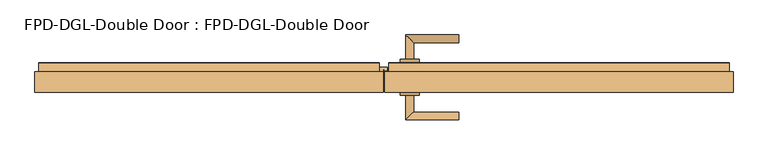
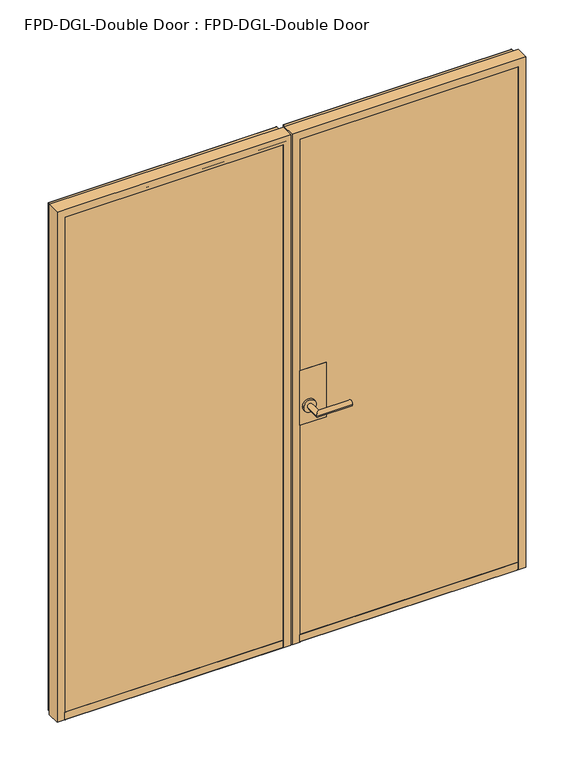
"""IFC4 building model written with IfcOpenShell, lengths in millimetres: door geometry, FPD-DGL-Double Door : FPD-DGL-Double Door."""

from ifc_helpers import new_model, si_unit, point, frame, frame_2d, origin, place, context, project, spatial, polyline, circle_curve, ellipse_curve, trimmed, segment, composite_curve, outline, extrude, source, transform, mapped, element, save
from ifc_brep_helpers import plane_surface, cylinder_surface, revolved_surface, advanced_brep


def fpd_dgl_double_door_fpd_dgl_double_door_5a96a439(model_context):
    return source(origin(), model_context, "Body", "SolidModel", [
        advanced_brep(
        [(192.734021, -62.2685263, 965.2), (192.734021, -82.3404699, 965.2), (75.8843806, -62.2685263, 965.2), (55.812437, -82.3404699, 965.2), (75.8843806, -19.6342776, 965.2), (55.812437, -19.6342776, 965.2)],
        [
            (0, 1, circle_curve(frame((192.734021, -72.3044981, 965.2), z_axis=(1.0, 0.0, 0.0), x_axis=(0.0, -1.0, 0.0)), 10.0359718)),
            (1, 0, circle_curve(frame((192.734021, -72.3044981, 965.2), z_axis=(1.0, 0.0, 0.0), x_axis=(0.0, -1.0, 0.0)), 10.0359718)),
            (0, 2),
            (2, 3, ellipse_curve(frame((65.8484088, -72.3044981, 965.2), z_axis=(0.7071067811865439, -0.7071067811865513, 0.0), x_axis=(0.707106781186551, 0.707106781186544, 0.0)), 14.1930074, 10.0359718)),
            (3, 1),
            (3, 2, ellipse_curve(frame((65.8484088, -72.3044981, 965.2), z_axis=(0.7071067811865439, -0.7071067811865513, 0.0), x_axis=(0.707106781186551, 0.707106781186544, 0.0)), 14.1930074, 10.0359718)),
            (4, 5, circle_curve(frame((65.8484088, -19.6342776, 965.2), z_axis=(0.0, 1.0, 0.0), x_axis=(-1.0, 0.0, 0.0)), 10.0359718)),
            (5, 4, circle_curve(frame((65.8484088, -19.6342776, 965.2), z_axis=(0.0, 1.0, 0.0), x_axis=(-1.0, 0.0, 0.0)), 10.0359718)),
            (2, 4),
            (5, 3),
        ],
        [
            plane_surface(frame((192.734021, -72.3044981, 965.2), z_axis=(1.0, 0.0, 0.0), x_axis=(0.0, 0.0, 1.0))),
            cylinder_surface(frame((192.734021, -72.3044981, 965.2), z_axis=(1.0, 0.0, 0.0), x_axis=(0.0, -1.0, 0.0)), 10.0359718),
            plane_surface(frame((65.8484088, -19.6342776, 965.2), z_axis=(0.0, 1.0, 0.0), x_axis=(0.0, 0.0, 1.0))),
            cylinder_surface(frame((65.8484088, -72.3044981, 965.2), z_axis=(0.0, -1.0, 0.0), x_axis=(-1.0, 0.0, 0.0)), 10.0359718),
        ],
        [
            (0, [[1, 2]]),
            (1, [[-1, 3, 4, 5]]),
            (1, [[-2, -5, 6, -3]]),
            (2, [[7, 8]]),
            (3, [[-4, 9, -8, 10]]),
            (3, [[-6, -10, -7, -9]]),
        ],
    ),
        advanced_brep(
        [(75.8843806, 73.2298077, 965.2), (55.812437, 73.2298077, 965.2), (75.8843806, 115.8640565, 965.2), (55.812437, 135.936, 965.2), (192.734021, 115.8640565, 965.2), (192.734021, 135.936, 965.2)],
        [
            (0, 1, circle_curve(frame((65.8484088, 73.2298077, 965.2), z_axis=(0.0, -1.0, 0.0), x_axis=(-1.0, 0.0, 0.0)), 10.0359718)),
            (1, 0, circle_curve(frame((65.8484088, 73.2298077, 965.2), z_axis=(0.0, -1.0, 0.0), x_axis=(-1.0, 0.0, 0.0)), 10.0359718)),
            (0, 2),
            (2, 3, ellipse_curve(frame((65.8484088, 125.9000282, 965.2), z_axis=(-0.7071067811865512, -0.7071067811865438, 0.0), x_axis=(0.7071067811865438, -0.7071067811865512, 0.0)), 14.1930074, 10.0359718)),
            (3, 1),
            (3, 2, ellipse_curve(frame((65.8484088, 125.9000282, 965.2), z_axis=(-0.7071067811865512, -0.7071067811865438, 0.0), x_axis=(0.7071067811865438, -0.7071067811865512, 0.0)), 14.1930074, 10.0359718)),
            (4, 5, circle_curve(frame((192.734021, 125.9000282, 965.2), z_axis=(1.0, 0.0, 0.0), x_axis=(0.0, 1.0, 0.0)), 10.0359718)),
            (5, 4, circle_curve(frame((192.734021, 125.9000282, 965.2), z_axis=(1.0, 0.0, 0.0), x_axis=(0.0, 1.0, 0.0)), 10.0359718)),
            (2, 4),
            (5, 3),
        ],
        [
            plane_surface(frame((65.8484088, 73.2298077, 965.2), z_axis=(0.0, -1.0, 0.0), x_axis=(0.0, 0.0, 1.0))),
            cylinder_surface(frame((65.8484088, 73.2298077, 965.2), z_axis=(0.0, -1.0, 0.0), x_axis=(-1.0, 0.0, 0.0)), 10.0359718),
            plane_surface(frame((192.734021, 125.9000282, 965.2), z_axis=(1.0, 0.0, 0.0), x_axis=(0.0, 0.0, 1.0))),
            cylinder_surface(frame((65.8484088, 125.9000282, 965.2), z_axis=(-1.0, 0.0, 0.0), x_axis=(0.0, 1.0, 0.0)), 10.0359718),
        ],
        [
            (0, [[1, 2]]),
            (1, [[-1, 3, 4, 5]]),
            (1, [[-2, -5, 6, -3]]),
            (2, [[7, 8]]),
            (3, [[-4, 9, -8, 10]]),
            (3, [[-6, -10, -7, -9]]),
        ],
    ),
        extrude(outline(composite_curve([segment(trimmed(circle_curve(frame_2d((965.2, 65.8484088)), 24.60625), [point((965.2, 90.4546588))], [point((965.2, 41.2421588))], False, "CARTESIAN"), True, "CONTINUOUS"), segment(trimmed(circle_curve(frame_2d((965.2, 65.8484088)), 24.60625), [point((965.2, 41.2421588))], [point((965.2, 90.4546588))], False, "CARTESIAN"), True, "CONTINUOUS")], self_intersect=False)), frame((0.0, 64.8999971, 0.0), z_axis=(0.0, 1.0, 0.0), x_axis=(0.0, 0.0, 1.0)), (0.0, 0.0, 1.0), 8.3298107),
        extrude(outline(composite_curve([segment(trimmed(circle_curve(frame_2d((965.2, 65.8484088)), 24.60625), [point((965.2, 90.4546588))], [point((965.2, 41.2421588))], False, "CARTESIAN"), True, "CONTINUOUS"), segment(trimmed(circle_curve(frame_2d((965.2, 65.8484088)), 24.60625), [point((965.2, 41.2421588))], [point((965.2, 90.4546588))], False, "CARTESIAN"), True, "CONTINUOUS")], self_intersect=False)), frame((0.0, -19.6342776, 0.0), z_axis=(0.0, 1.0, 0.0), x_axis=(0.0, 0.0, 1.0)), (0.0, 0.0, 1.0), 8.3342763),
        extrude(outline(polyline([(32.3483488, 64.8999971), (132.3484614, 64.8999971), (132.3484614, 63.5), (32.3483488, 63.5), (32.3483488, 64.8999971)])), frame((0.0, 0.0, 893.55), z_axis=(0.0, 0.0, 1.0), x_axis=(1.0, 0.0, 0.0)), (0.0, 0.0, 1.0), 220.0),
        extrude(outline(polyline([(32.3483488, -9.9000043), (132.3484614, -9.9000043), (132.3484614, -11.3000013), (32.3483488, -11.3000013), (32.3483488, -9.9000043)])), frame((0.0, 0.0, 893.55), z_axis=(0.0, 0.0, 1.0), x_axis=(1.0, 0.0, 0.0)), (0.0, 0.0, 1.0), 220.0),
        advanced_brep(
        [(-867.7641512, -1.3736905, 45.8749402), (-867.7641512, 54.8263591, 45.8749402), (-867.7641512, 54.8263591, 35.2749613), (-867.7641512, 63.0263424, 35.2749613), (-867.7641512, 63.5263414, 35.7749604), (-867.7641512, 63.5263417, 43.0952793), (-867.7641512, 63.426342, 44.0749436), (-867.7641512, 63.426342, 45.8749402), (-867.7641512, 64.826339, 45.8749402), (-867.7641512, 64.826339, 15.875), (-867.7641512, -10.5736626, 15.875), (-867.7641512, -11.373661, 16.6749984), (-867.7641512, -11.373661, 45.8749402), (-867.7641512, -9.9736639, 45.8749402), (-867.7641512, -9.9736639, 44.0749434), (-867.7641512, -10.0736637, 43.0952791), (-867.7641512, -10.0736637, 35.2749613), (-867.7641512, -1.3736905, 35.2749613), (-32.3483488, -1.3736905, 45.8749402), (-32.3483488, -1.3736905, 35.2749613), (-32.3483488, -10.0736637, 35.2749613), (-32.3483488, -10.0736637, 43.0952791), (-32.3483488, -9.9736639, 44.0749434), (-32.3483488, -9.9736639, 45.8749402), (-32.3483488, -11.373661, 45.8749402), (-32.3483488, -11.373661, 16.6749984), (-32.3483488, -10.5736626, 15.875), (-32.3483488, 64.826339, 15.875), (-32.3483488, 64.826339, 45.8749402), (-32.3483488, 63.426342, 45.8749402), (-32.3483488, 63.426342, 44.0749436), (-32.3483488, 63.5263417, 43.0952793), (-32.3483488, 63.5263417, 35.7749604), (-32.3483488, 63.0263424, 35.2749614), (-32.3483488, 54.8263591, 35.2749613), (-32.3483488, 54.8263591, 45.8749402)],
        [
            (0, 1),
            (1, 2),
            (2, 3),
            (3, 4, circle_curve(frame((-867.7641512, 63.0263424, 35.7749604), z_axis=(1.0, 0.0, 0.0), x_axis=(0.0, 0.0, 1.0)), 0.499999)),
            (4, 5),
            (5, 6),
            (6, 7),
            (7, 8),
            (8, 9),
            (9, 10),
            (10, 11, circle_curve(frame((-867.7641512, -10.5736626, 16.6749984), z_axis=(-1.0, 0.0, 0.0), x_axis=(0.0, 0.0, 1.0)), 0.7999984)),
            (11, 12),
            (12, 13),
            (13, 14),
            (14, 15),
            (15, 16),
            (16, 17),
            (17, 0),
            (18, 19),
            (19, 20),
            (20, 21),
            (21, 22),
            (22, 23),
            (23, 24),
            (24, 25),
            (25, 26, circle_curve(frame((-32.3483488, -10.5736626, 16.6749984), z_axis=(1.0, 0.0, 0.0), x_axis=(0.0, 0.0, 1.0)), 0.7999984)),
            (26, 27),
            (27, 28),
            (28, 29),
            (29, 30),
            (30, 31),
            (31, 32),
            (32, 33, circle_curve(frame((-32.3483488, 63.0263424, 35.7749604), z_axis=(-1.0, 0.0, 0.0), x_axis=(0.0, 0.0, 1.0)), 0.499999)),
            (33, 34),
            (34, 35),
            (35, 18),
            (17, 19),
            (18, 0),
            (16, 20),
            (15, 21),
            (14, 22),
            (13, 23),
            (12, 24),
            (11, 25),
            (10, 26),
            (9, 27),
            (8, 28),
            (7, 29),
            (6, 30),
            (5, 31),
            (4, 32),
            (3, 33),
            (2, 34),
            (1, 35),
        ],
        [
            plane_surface(frame((-867.7641512, 26.7129348, 15.875), z_axis=(-1.0, 0.0, 0.0), x_axis=(0.0, -1.0, 0.0))),
            plane_surface(frame((-32.3483488, 26.7129348, 15.875), z_axis=(1.0, 0.0, 0.0), x_axis=(0.0, -1.0, 0.0))),
            plane_surface(frame((-867.7641512, -1.3736905, 35.2749613), z_axis=(0.0, -1.0, 0.0), x_axis=(1.0, 0.0, 0.0))),
            plane_surface(frame((-867.7641512, -10.0736637, 35.2749613), z_axis=(0.0, 0.0, 1.0), x_axis=(1.0, 0.0, 0.0))),
            plane_surface(frame((-867.7641512, -10.0736637, 43.0952791), z_axis=(0.0, 1.0, 0.0), x_axis=(1.0, 0.0, 0.0))),
            plane_surface(frame((-867.7641512, -9.9736639, 44.0749434), z_axis=(0.0, 0.9948306566625577, -0.10154784372080161), x_axis=(1.0, 0.0, 0.0))),
            plane_surface(frame((-867.7641512, -9.9736639, 45.8749402), z_axis=(0.0, 1.0, 0.0), x_axis=(1.0, 0.0, 0.0))),
            plane_surface(frame((-867.7641512, -11.373661, 45.8749402), z_axis=(0.0, 0.0, 1.0), x_axis=(1.0, 0.0, 0.0))),
            plane_surface(frame((-867.7641512, -11.373661, 16.6749984), z_axis=(0.0, -1.0, 0.0), x_axis=(1.0, 0.0, 0.0))),
            cylinder_surface(frame((-867.7641512, -10.5736626, 16.6749984), z_axis=(-1.0, 0.0, 0.0), x_axis=(0.0, 0.0, 1.0)), 0.7999984),
            plane_surface(frame((-867.7641512, 64.826339, 15.875), z_axis=(0.0, 0.0, -1.0), x_axis=(1.0, 0.0, 0.0))),
            plane_surface(frame((-867.7641512, 64.826339, 45.8749402), z_axis=(0.0, 1.0, 0.0), x_axis=(1.0, 0.0, 0.0))),
            plane_surface(frame((-867.7641512, 63.426342, 45.8749402), z_axis=(0.0, 0.0, 1.0), x_axis=(1.0, 0.0, 0.0))),
            plane_surface(frame((-867.7641512, 63.426342, 44.0749436), z_axis=(0.0, -1.0, 0.0), x_axis=(1.0, 0.0, 0.0))),
            plane_surface(frame((-867.7641512, 63.5263417, 43.0952793), z_axis=(0.0, -0.9948306566600441, -0.10154784374542594), x_axis=(1.0, 0.0, 0.0))),
            plane_surface(frame((-867.7641512, 63.5263417, 35.7749604), z_axis=(0.0, -1.0, 0.0), x_axis=(1.0, 0.0, 0.0))),
            revolved_surface(polyline([(-32.34834879999994, 63.0263424, 36.2749594), (-867.7641512, 63.0263424, 36.2749594)]), (-867.7641512, 63.0263424, 35.7749604), (1.0, 0.0, 0.0)),
            plane_surface(frame((-867.7641512, 54.8263591, 35.2749613), z_axis=(0.0, 0.0, 1.0), x_axis=(1.0, 0.0, 0.0))),
            plane_surface(frame((-867.7641512, 54.8263591, 45.8749402), z_axis=(0.0, 1.0, 0.0), x_axis=(1.0, 0.0, 0.0))),
            plane_surface(frame((-867.7641512, -1.3736905, 45.8749402), z_axis=(0.0, 0.0, 1.0), x_axis=(1.0, 0.0, 0.0))),
        ],
        [
            (0, [[1, 2, 3, 4, 5, 6, 7, 8, 9, 10, 11, 12, 13, 14, 15, 16, 17, 18]]),
            (1, [[19, 20, 21, 22, 23, 24, 25, 26, 27, 28, 29, 30, 31, 32, 33, 34, 35, 36]]),
            (2, [[-18, 37, -19, 38]]),
            (3, [[-17, 39, -20, -37]]),
            (4, [[-16, 40, -21, -39]]),
            (5, [[-15, 41, -22, -40]]),
            (6, [[-14, 42, -23, -41]]),
            (7, [[-13, 43, -24, -42]]),
            (8, [[-12, 44, -25, -43]]),
            (9, [[-11, 45, -26, -44]]),
            (10, [[-10, 46, -27, -45]]),
            (11, [[-9, 47, -28, -46]]),
            (12, [[-8, 48, -29, -47]]),
            (13, [[-7, 49, -30, -48]]),
            (14, [[-6, 50, -31, -49]]),
            (15, [[-5, 51, -32, -50]]),
            (16, [[-4, 52, -33, -51]]),
            (17, [[-3, 53, -34, -52]]),
            (18, [[-2, 54, -35, -53]]),
            (19, [[-1, -38, -36, -54]]),
        ],
    ),
        advanced_brep(
        [(867.7641512, -1.3736905, 45.8749402), (867.7641512, -1.3736905, 35.2749613), (867.7641512, -10.0736637, 35.2749613), (867.7641512, -10.0736637, 43.0952791), (867.7641512, -9.9736639, 44.0749434), (867.7641512, -9.9736639, 45.8749402), (867.7641512, -11.373661, 45.8749402), (867.7641512, -11.373661, 16.6749984), (867.7641512, -10.5736626, 15.875), (867.7641512, 64.826339, 15.875), (867.7641512, 64.826339, 45.8749402), (867.7641512, 63.426342, 45.8749402), (867.7641512, 63.426342, 44.0749436), (867.7641512, 63.5263417, 43.0952793), (867.7641512, 63.5263417, 35.7749604), (867.7641512, 63.0263424, 35.2749614), (867.7641512, 54.8263591, 35.2749614), (867.7641512, 54.8263591, 45.8749402), (32.3483488, -1.3736905, 45.8749402), (32.3483488, 54.8263591, 45.8749402), (32.3483488, 54.8263591, 35.2749614), (32.3483488, 63.0263424, 35.2749614), (32.3483488, 63.5263414, 35.7749604), (32.3483488, 63.5263417, 43.0952793), (32.3483488, 63.426342, 44.0749436), (32.3483488, 63.426342, 45.8749402), (32.3483488, 64.826339, 45.8749402), (32.3483488, 64.826339, 15.875), (32.3483488, -10.5736626, 15.875), (32.3483488, -11.373661, 16.6749984), (32.3483488, -11.373661, 45.8749402), (32.3483488, -9.9736639, 45.8749402), (32.3483488, -9.9736639, 44.0749434), (32.3483488, -10.0736637, 43.0952791), (32.3483488, -10.0736637, 35.2749613), (32.3483488, -1.3736905, 35.2749613)],
        [
            (0, 1),
            (1, 2),
            (2, 3),
            (3, 4),
            (4, 5),
            (5, 6),
            (6, 7),
            (7, 8, circle_curve(frame((867.7641512, -10.5736626, 16.6749984), z_axis=(1.0, 0.0, 0.0), x_axis=(0.0, 0.0, -1.0)), 0.7999984)),
            (8, 9),
            (9, 10),
            (10, 11),
            (11, 12),
            (12, 13),
            (13, 14),
            (14, 15, circle_curve(frame((867.7641512, 63.0263424, 35.7749604), z_axis=(-1.0, 0.0, 0.0), x_axis=(0.0, 0.0, -1.0)), 0.499999)),
            (15, 16),
            (16, 17),
            (17, 0),
            (18, 19),
            (19, 20),
            (20, 21),
            (21, 22, circle_curve(frame((32.3483488, 63.0263424, 35.7749604), z_axis=(1.0, 0.0, 0.0), x_axis=(0.0, 0.0, -1.0)), 0.499999)),
            (22, 23),
            (23, 24),
            (24, 25),
            (25, 26),
            (26, 27),
            (27, 28),
            (28, 29, circle_curve(frame((32.3483488, -10.5736626, 16.6749984), z_axis=(-1.0, 0.0, 0.0), x_axis=(0.0, 0.0, -1.0)), 0.7999984)),
            (29, 30),
            (30, 31),
            (31, 32),
            (32, 33),
            (33, 34),
            (34, 35),
            (35, 18),
            (0, 18),
            (35, 1),
            (34, 2),
            (33, 3),
            (32, 4),
            (31, 5),
            (30, 6),
            (29, 7),
            (28, 8),
            (27, 9),
            (26, 10),
            (25, 11),
            (24, 12),
            (23, 13),
            (22, 14),
            (21, 15),
            (20, 16),
            (19, 17),
        ],
        [
            plane_surface(frame((867.7641512, 26.7129348, 15.875), z_axis=(1.0, 0.0, 0.0), x_axis=(0.0, -1.0, 0.0))),
            plane_surface(frame((32.3483488, 26.7129348, 15.875), z_axis=(-1.0, 0.0, 0.0), x_axis=(0.0, -1.0, 0.0))),
            plane_surface(frame((867.7641512, -1.3736905, 45.8749402), z_axis=(0.0, -1.0, 0.0), x_axis=(-1.0, 0.0, 0.0))),
            plane_surface(frame((867.7641512, -1.3736905, 35.2749613), z_axis=(0.0, 0.0, 1.0), x_axis=(-1.0, 0.0, 0.0))),
            plane_surface(frame((867.7641512, -10.0736637, 35.2749613), z_axis=(0.0, 1.0, 0.0), x_axis=(-1.0, 0.0, 0.0))),
            plane_surface(frame((867.7641512, -10.0736637, 43.0952791), z_axis=(0.0, 0.9948306566625577, -0.10154784372080161), x_axis=(-1.0, 0.0, 0.0))),
            plane_surface(frame((867.7641512, -9.9736639, 44.0749434), z_axis=(0.0, 1.0, 0.0), x_axis=(-1.0, 0.0, 0.0))),
            plane_surface(frame((867.7641512, -9.9736639, 45.8749402), z_axis=(0.0, 0.0, 1.0), x_axis=(-1.0, 0.0, 0.0))),
            plane_surface(frame((867.7641512, -11.373661, 45.8749402), z_axis=(0.0, -1.0, 0.0), x_axis=(-1.0, 0.0, 0.0))),
            cylinder_surface(frame((867.7641512, -10.5736626, 16.6749984), z_axis=(1.0, 0.0, 0.0), x_axis=(0.0, 0.0, -1.0)), 0.7999984),
            plane_surface(frame((867.7641512, -10.5736626, 15.875), z_axis=(0.0, 0.0, -1.0), x_axis=(-1.0, 0.0, 0.0))),
            plane_surface(frame((867.7641512, 64.826339, 15.875), z_axis=(0.0, 1.0, 0.0), x_axis=(-1.0, 0.0, 0.0))),
            plane_surface(frame((867.7641512, 64.826339, 45.8749402), z_axis=(0.0, 0.0, 1.0), x_axis=(-1.0, 0.0, 0.0))),
            plane_surface(frame((867.7641512, 63.426342, 45.8749402), z_axis=(0.0, -1.0, 0.0), x_axis=(-1.0, 0.0, 0.0))),
            plane_surface(frame((867.7641512, 63.426342, 44.0749436), z_axis=(0.0, -0.9948306566600441, -0.10154784374542594), x_axis=(-1.0, 0.0, 0.0))),
            plane_surface(frame((867.7641512, 63.5263417, 43.0952793), z_axis=(0.0, -1.0, 0.0), x_axis=(-1.0, 0.0, 0.0))),
            revolved_surface(polyline([(32.34834879999994, 63.0263424, 35.274961399999995), (867.7641512, 63.0263424, 35.274961399999995)]), (867.7641512, 63.0263424, 35.7749604), (-1.0, 0.0, 0.0)),
            plane_surface(frame((867.7641512, 63.0263424, 35.2749614), z_axis=(0.0, 0.0, 1.0), x_axis=(-1.0, 0.0, 0.0))),
            plane_surface(frame((867.7641512, 54.8263591, 35.2749614), z_axis=(0.0, 1.0, 0.0), x_axis=(-1.0, 0.0, 0.0))),
            plane_surface(frame((867.7641512, 54.8263591, 45.8749402), z_axis=(0.0, 0.0, 1.0), x_axis=(-1.0, 0.0, 0.0))),
        ],
        [
            (0, [[1, 2, 3, 4, 5, 6, 7, 8, 9, 10, 11, 12, 13, 14, 15, 16, 17, 18]]),
            (1, [[19, 20, 21, 22, 23, 24, 25, 26, 27, 28, 29, 30, 31, 32, 33, 34, 35, 36]]),
            (2, [[-1, 37, -36, 38]]),
            (3, [[-2, -38, -35, 39]]),
            (4, [[-3, -39, -34, 40]]),
            (5, [[-4, -40, -33, 41]]),
            (6, [[-5, -41, -32, 42]]),
            (7, [[-6, -42, -31, 43]]),
            (8, [[-7, -43, -30, 44]]),
            (9, [[-8, -44, -29, 45]]),
            (10, [[-9, -45, -28, 46]]),
            (11, [[-10, -46, -27, 47]]),
            (12, [[-11, -47, -26, 48]]),
            (13, [[-12, -48, -25, 49]]),
            (14, [[-13, -49, -24, 50]]),
            (15, [[-14, -50, -23, 51]]),
            (16, [[-15, -51, -22, 52]]),
            (17, [[-16, -52, -21, 53]]),
            (18, [[-17, -53, -20, 54]]),
            (19, [[-18, -54, -19, -37]]),
        ],
    ),
        advanced_brep(
        [(7.9983324, 52.1815209, 15.875), (8.7603324, 51.4195209, 15.875), (8.7603324, 44.1610234, 15.875), (7.9983324, 43.3990234, 15.875), (0.8050534, 43.3990234, 15.875), (0.7102575, 44.9225301, 15.875), (0.7102575, 46.4604631, 15.875), (-0.9351433, 48.1018613, 15.875), (-2.2894754, 47.5399122, 15.875), (-2.2894754, 41.270615, 15.875), (-2.7974754, 40.762615, 15.875), (-3.9845702, 40.762615, 15.875), (-5.1141987, 41.8922434, 15.875), (-8.5458669, 41.8922434, 15.875), (-9.4254048, 41.0127055, 15.875), (-10.9227348, 41.0127055, 15.875), (-12.4200648, 42.5100355, 15.875), (-12.4200648, 43.577043, 15.875), (-11.5566189, 44.3015601, 15.875), (-11.5566189, 49.3728897, 15.875), (-12.6738477, 50.4901184, 15.875), (-12.6738477, 51.6735209, 15.875), (-12.1621554, 52.1815209, 15.875), (7.9983324, 52.1815209, 2062.6353224), (8.7603324, 51.4195209, 2062.6353224), (8.7603324, 44.1610234, 2062.6353224), (7.9983324, 43.3990234, 2062.6353224), (0.8050534, 43.3990234, 2062.6353224), (0.7102575, 44.9225301, 2062.6353224), (0.7102575, 46.4604631, 2062.6353224), (-0.9351433, 48.1018613, 2062.6353224), (-2.2894754, 47.5399122, 2062.6353224), (-2.2894754, 41.270615, 2062.6353224), (-2.7974754, 40.762615, 2062.6353224), (-3.9845702, 40.762615, 2062.6353224), (-5.1141987, 41.8922434, 2062.6353224), (-8.5458669, 41.8922434, 2062.6353224), (-9.4254048, 41.0127055, 2062.6353224), (-10.9227348, 41.0127055, 2062.6353224), (-12.4200648, 42.5100355, 2062.6353224), (-12.4200648, 43.577043, 2062.6353224), (-11.5566189, 44.3015601, 2062.6353224), (-11.5566189, 49.3728897, 2062.6353224), (-12.6738477, 50.4901184, 2062.6353224), (-12.6738477, 51.6735209, 2062.6353224), (-12.1621554, 52.1815209, 2062.6353224)],
        [
            (0, 1, circle_curve(frame((7.9983324, 51.4195209, 15.875), z_axis=(0.0, 0.0, -1.0), x_axis=(-1.0, 0.0, 0.0)), 0.762)),
            (1, 2),
            (2, 3, circle_curve(frame((7.9983324, 44.1610234, 15.875), z_axis=(0.0, 0.0, -1.0), x_axis=(-1.0, 0.0, 0.0)), 0.762)),
            (3, 4),
            (4, 5, circle_curve(frame((1.1376641, 44.1844217, 15.875), z_axis=(0.0, 0.0, -1.0), x_axis=(-1.0, 0.0, 0.0)), 0.8529246)),
            (5, 6),
            (6, 7),
            (7, 8, circle_curve(frame((-1.4957254, 47.5399122, 15.875), z_axis=(0.0, 0.0, 1.0), x_axis=(-1.0, 0.0, 0.0)), 0.79375)),
            (8, 9),
            (9, 10, circle_curve(frame((-2.7974754, 41.270615, 15.875), z_axis=(0.0, 0.0, -1.0), x_axis=(-1.0, 0.0, 0.0)), 0.508)),
            (10, 11),
            (11, 12),
            (12, 13),
            (13, 14),
            (14, 15),
            (15, 16),
            (16, 17),
            (17, 18),
            (18, 19),
            (19, 20),
            (20, 21),
            (21, 22, circle_curve(frame((-12.1621554, 51.6735209, 15.875), z_axis=(0.0, 0.0, -1.0), x_axis=(-1.0, 0.0, 0.0)), 0.508)),
            (22, 0),
            (0, 23),
            (23, 24, circle_curve(frame((7.9983324, 51.4195209, 2062.6353224), z_axis=(0.0, 0.0, -1.0), x_axis=(-1.0, 0.0, 0.0)), 0.762)),
            (24, 1),
            (24, 25),
            (25, 2),
            (25, 26, circle_curve(frame((7.9983324, 44.1610234, 2062.6353224), z_axis=(0.0, 0.0, -1.0), x_axis=(-1.0, 0.0, 0.0)), 0.762)),
            (26, 3),
            (26, 27),
            (27, 4),
            (27, 28, circle_curve(frame((1.1376641, 44.1844217, 2062.6353224), z_axis=(0.0, 0.0, -1.0), x_axis=(-1.0, 0.0, 0.0)), 0.8529246)),
            (28, 5),
            (28, 29),
            (29, 6),
            (29, 30),
            (30, 7),
            (30, 31, circle_curve(frame((-1.4957254, 47.5399122, 2062.6353224), z_axis=(0.0, 0.0, 1.0), x_axis=(-1.0, 0.0, 0.0)), 0.79375)),
            (31, 8),
            (31, 32),
            (32, 9),
            (32, 33, circle_curve(frame((-2.7974754, 41.270615, 2062.6353224), z_axis=(0.0, 0.0, -1.0), x_axis=(-1.0, 0.0, 0.0)), 0.508)),
            (33, 10),
            (33, 34),
            (34, 11),
            (34, 35),
            (35, 12),
            (35, 36),
            (36, 13),
            (36, 37),
            (37, 14),
            (37, 38),
            (38, 15),
            (38, 39),
            (39, 16),
            (39, 40),
            (40, 17),
            (40, 41),
            (41, 18),
            (41, 42),
            (42, 19),
            (42, 43),
            (43, 20),
            (43, 44),
            (44, 21),
            (44, 45, circle_curve(frame((-12.1621554, 51.6735209, 2062.6353224), z_axis=(0.0, 0.0, -1.0), x_axis=(-1.0, 0.0, 0.0)), 0.508)),
            (45, 22),
            (45, 23),
        ],
        [
            plane_surface(frame((0.0, 26.7129348, 15.875), z_axis=(0.0, 0.0, -1.0), x_axis=(0.0, -1.0, 0.0))),
            cylinder_surface(frame((7.9983324, 51.4195209, 15.875), z_axis=(0.0, 0.0, -1.0), x_axis=(-1.0, 0.0, 0.0)), 0.762),
            plane_surface(frame((8.7603324, 51.4195209, 15.875), z_axis=(1.0, 0.0, 0.0), x_axis=(0.0, 0.0, 1.0))),
            cylinder_surface(frame((7.9983324, 44.1610234, 15.875), z_axis=(0.0, 0.0, -1.0), x_axis=(-1.0, 0.0, 0.0)), 0.762),
            plane_surface(frame((7.9983324, 43.3990234, 15.875), z_axis=(0.0, -1.0, 0.0), x_axis=(0.0, 0.0, 1.0))),
            cylinder_surface(frame((1.1376641, 44.1844217, 15.875), z_axis=(0.0, 0.0, -1.0), x_axis=(-1.0, 0.0, 0.0)), 0.8529246),
            plane_surface(frame((0.7102575, 44.9225301, 15.875), z_axis=(-1.0, 0.0, 0.0), x_axis=(0.0, 0.0, 1.0))),
            plane_surface(frame((0.7102575, 46.4604631, 15.875), z_axis=(-0.7062451654574204, -0.7079673483064179, 0.0), x_axis=(0.0, 0.0, 1.0))),
            revolved_surface(polyline([(-2.2894753999999997, 47.5399122, 2062.6353224), (-2.2894753999999997, 47.5399122, 15.875)]), (-1.4957254, 47.5399122, 15.875), (0.0, 0.0, 1.0)),
            plane_surface(frame((-2.2894754, 47.5399122, 15.875), z_axis=(1.0, 0.0, 0.0), x_axis=(0.0, 0.0, 1.0))),
            cylinder_surface(frame((-2.7974754, 41.270615, 15.875), z_axis=(0.0, 0.0, -1.0), x_axis=(-1.0, 0.0, 0.0)), 0.508),
            plane_surface(frame((-2.7974754, 40.762615, 15.875), z_axis=(0.0, -1.0, 0.0), x_axis=(0.0, 0.0, 1.0))),
            plane_surface(frame((-3.9845702, 40.762615, 15.875), z_axis=(-0.7071067811859088, -0.7071067811871863, 0.0), x_axis=(0.0, 0.0, 1.0))),
            plane_surface(frame((-5.1141987, 41.8922434, 15.875), z_axis=(0.0, -1.0, 0.0), x_axis=(0.0, 0.0, 1.0))),
            plane_surface(frame((-8.5458669, 41.8922434, 15.875), z_axis=(0.7071067811869309, -0.7071067811861641, 0.0), x_axis=(0.0, 0.0, 1.0))),
            plane_surface(frame((-9.4254048, 41.0127055, 15.875), z_axis=(0.0, -1.0, 0.0), x_axis=(0.0, 0.0, 1.0))),
            plane_surface(frame((-10.9227348, 41.0127055, 15.875), z_axis=(-0.7071067811860376, -0.7071067811870574, 0.0), x_axis=(0.0, 0.0, 1.0))),
            plane_surface(frame((-12.4200648, 42.5100355, 15.875), z_axis=(-1.0, 0.0, 0.0), x_axis=(0.0, 0.0, 1.0))),
            plane_surface(frame((-12.4200648, 43.577043, 15.875), z_axis=(-0.6427876096865369, 0.7660444431189801, 0.0), x_axis=(0.0, 0.0, 1.0))),
            plane_surface(frame((-11.5566189, 44.3015601, 15.875), z_axis=(-1.0, 0.0, 0.0), x_axis=(0.0, 0.0, 1.0))),
            plane_surface(frame((-11.5566189, 49.3728897, 15.875), z_axis=(-0.7071067811871861, -0.7071067811859091, 0.0), x_axis=(0.0, 0.0, 1.0))),
            plane_surface(frame((-12.6738477, 50.4901184, 15.875), z_axis=(-1.0, 0.0, 0.0), x_axis=(0.0, 0.0, 1.0))),
            cylinder_surface(frame((-12.1621554, 51.6735209, 15.875), z_axis=(0.0, 0.0, -1.0), x_axis=(-1.0, 0.0, 0.0)), 0.508),
            plane_surface(frame((-12.1621554, 52.1815209, 15.875), z_axis=(0.0, 1.0, 0.0), x_axis=(0.0, 0.0, 1.0))),
            plane_surface(frame((0.0, 26.7129348, 2062.6353224), z_axis=(0.0, 0.0, 1.0), x_axis=(0.0, -1.0, 0.0))),
        ],
        [
            (0, [[1, 2, 3, 4, 5, 6, 7, 8, 9, 10, 11, 12, 13, 14, 15, 16, 17, 18, 19, 20, 21, 22, 23]]),
            (1, [[-1, 24, 25, 26]]),
            (2, [[-2, -26, 27, 28]]),
            (3, [[-3, -28, 29, 30]]),
            (4, [[-4, -30, 31, 32]]),
            (5, [[-5, -32, 33, 34]]),
            (6, [[-6, -34, 35, 36]]),
            (7, [[-7, -36, 37, 38]]),
            (8, [[-8, -38, 39, 40]]),
            (9, [[-9, -40, 41, 42]]),
            (10, [[-10, -42, 43, 44]]),
            (11, [[-11, -44, 45, 46]]),
            (12, [[-12, -46, 47, 48]]),
            (13, [[-13, -48, 49, 50]]),
            (14, [[-14, -50, 51, 52]]),
            (15, [[-15, -52, 53, 54]]),
            (16, [[-16, -54, 55, 56]]),
            (17, [[-17, -56, 57, 58]]),
            (18, [[-18, -58, 59, 60]]),
            (19, [[-19, -60, 61, 62]]),
            (20, [[-20, -62, 63, 64]]),
            (21, [[-21, -64, 65, 66]]),
            (22, [[-22, -66, 67, 68]]),
            (23, [[-23, -68, 69, -24]]),
            (24, [[-69, -67, -65, -63, -61, -59, -57, -55, -53, -51, -49, -47, -45, -43, -41, -39, -37, -35, -33, -31, -29, -27, -25]]),
        ],
    ),
        advanced_brep(
        [(2.3591854, -11.373661, 15.875), (2.3591854, 40.6497043, 15.875), (12.6738477, 40.6497043, 15.875), (12.6738477, 63.9992554, 15.875), (13.4735587, 64.7989664, 15.875), (32.3483488, 64.7989664, 15.875), (32.3483488, 63.4994361, 15.875), (21.7521777, 63.4994361, 15.875), (21.7521777, 54.8025787, 15.875), (32.3483488, 54.8025787, 15.875), (32.3483488, -1.3772734, 15.875), (21.7521776, -1.3772734, 15.875), (21.7521776, -10.0741304, 15.875), (32.3483488, -10.0741304, 15.875), (32.3483488, -11.373661, 15.875), (2.3591854, -11.373661, 2082.0283146), (2.3591854, 40.6497043, 2082.0283146), (897.7533146, 40.6497043, 2082.0283146), (897.7533146, 40.6497043, 15.875), (887.4386523, 40.6497043, 15.875), (887.4386523, 40.6497043, 2071.7136523), (12.6738477, 40.6497043, 2071.7136523), (12.6738477, 63.9992554, 2071.7136523), (13.4735587, 64.7989664, 2070.9139413), (886.6389413, 64.7989664, 2070.9139413), (886.6389413, 64.7989664, 15.875), (867.7641512, 64.7989664, 15.875), (867.7641512, 64.7989664, 2052.0391512), (32.3483488, 64.7989664, 2052.0391512), (32.3483488, 63.4994361, 2052.0391512), (867.7641512, 63.4994361, 2052.0391512), (867.7641512, 63.4994361, 15.875), (878.3603223, 63.4994361, 15.875), (878.3603223, 63.4994361, 2062.6353223), (21.7521777, 63.4994361, 2062.6353223), (21.7521777, 54.8025787, 2062.6353223), (878.3603223, 54.8025787, 2062.6353223), (878.3603223, 54.8025787, 15.875), (867.7641512, 54.8025787, 15.875), (867.7641512, 54.8025787, 2052.0391512), (32.3483488, 54.8025787, 2052.0391512), (32.3483488, -1.3772734, 2052.0391512), (867.7641512, -1.3772734, 2052.0391512), (867.7641512, -1.3772734, 15.875), (878.3603224, -1.3772734, 15.875), (878.3603224, -1.3772734, 2062.6353224), (21.7521776, -1.3772734, 2062.6353224), (21.7521776, -10.0741304, 2062.6353224), (878.3603224, -10.0741304, 2062.6353224), (878.3603224, -10.0741304, 15.875), (867.7641512, -10.0741304, 15.875), (867.7641512, -10.0741304, 2052.0391512), (32.3483488, -10.0741304, 2052.0391512), (32.3483488, -11.373661, 2052.0391512), (867.7641512, -11.373661, 2052.0391512), (867.7641512, -11.373661, 15.875), (897.7533146, -11.373661, 15.875), (897.7533146, -11.373661, 2082.0283146), (887.4386523, 63.9992554, 15.875), (887.4386523, 63.9992554, 2071.7136523)],
        [
            (0, 1),
            (1, 2),
            (2, 3),
            (3, 4, circle_curve(frame((13.4735587, 63.9992554, 15.875), z_axis=(0.0, 0.0, -1.0), x_axis=(0.0, -1.0, 0.0)), 0.799711)),
            (4, 5),
            (5, 6),
            (6, 7),
            (7, 8),
            (8, 9),
            (9, 10),
            (10, 11),
            (11, 12),
            (12, 13),
            (13, 14),
            (14, 0),
            (0, 15),
            (15, 16),
            (16, 1),
            (16, 17),
            (17, 18),
            (18, 19),
            (19, 20),
            (20, 21),
            (21, 2),
            (21, 22),
            (22, 3),
            (22, 23, ellipse_curve(frame((13.4735587, 63.9992554, 2070.9139413), z_axis=(-0.7071067811865476, 0.0, -0.7071067811865474), x_axis=(0.7071067811865471, 0.0, -0.7071067811865478)), 1.1309622, 0.799711)),
            (23, 4),
            (23, 24),
            (24, 25),
            (25, 26),
            (26, 27),
            (27, 28),
            (28, 5),
            (28, 29),
            (29, 6),
            (29, 30),
            (30, 31),
            (31, 32),
            (32, 33),
            (33, 34),
            (34, 7),
            (34, 35),
            (35, 8),
            (35, 36),
            (36, 37),
            (37, 38),
            (38, 39),
            (39, 40),
            (40, 9),
            (40, 41),
            (41, 10),
            (41, 42),
            (42, 43),
            (43, 44),
            (44, 45),
            (45, 46),
            (46, 11),
            (46, 47),
            (47, 12),
            (47, 48),
            (48, 49),
            (49, 50),
            (50, 51),
            (51, 52),
            (52, 13),
            (52, 53),
            (53, 14),
            (53, 54),
            (54, 55),
            (55, 56),
            (56, 57),
            (57, 15),
            (55, 50),
            (49, 44),
            (43, 38),
            (37, 32),
            (31, 26),
            (25, 58, circle_curve(frame((886.6389413, 63.9992554, 15.875), z_axis=(0.0, 0.0, -1.0), x_axis=(0.0, -1.0, 0.0)), 0.799711)),
            (58, 19),
            (18, 56),
            (54, 51),
            (48, 45),
            (42, 39),
            (36, 33),
            (30, 27),
            (24, 59, ellipse_curve(frame((886.6389413, 63.9992554, 2070.9139413), z_axis=(0.7071067811865472, 0.0, -0.7071067811865477), x_axis=(0.7071067811865476, 0.0, 0.7071067811865475)), 1.1309622, 0.799711)),
            (59, 58),
            (59, 20),
            (17, 57),
            (22, 59),
        ],
        [
            plane_surface(frame((-49.2125, 26.7129348, 15.875), z_axis=(0.0, 0.0, -1.0), x_axis=(0.0, -1.0, 0.0))),
            plane_surface(frame((2.3591854, -11.373661, 15.875), z_axis=(-1.0, 0.0, 0.0), x_axis=(0.0, 0.0, 1.0))),
            plane_surface(frame((2.3591854, 40.6497043, 15.875), z_axis=(0.0, 1.0, 0.0), x_axis=(0.0, 0.0, 1.0))),
            plane_surface(frame((12.6738477, 40.6497043, 15.875), z_axis=(-1.0, 0.0, 0.0), x_axis=(0.0, 0.0, 1.0))),
            cylinder_surface(frame((13.4735587, 63.9992554, 15.875), z_axis=(0.0, 0.0, -1.0), x_axis=(0.0, -1.0, 0.0)), 0.799711),
            plane_surface(frame((13.4735587, 64.7989664, 15.875), z_axis=(0.0, 1.0, 0.0), x_axis=(0.0, 0.0, 1.0))),
            plane_surface(frame((32.3483488, 64.7989664, 15.875), z_axis=(1.0, 0.0, 0.0), x_axis=(0.0, 0.0, 1.0))),
            plane_surface(frame((32.3483488, 63.4994361, 15.875), z_axis=(0.0, -1.0, 0.0), x_axis=(0.0, 0.0, 1.0))),
            plane_surface(frame((21.7521777, 63.4994361, 15.875), z_axis=(1.0, 0.0, 0.0), x_axis=(0.0, 0.0, 1.0))),
            plane_surface(frame((21.7521777, 54.8025787, 15.875), z_axis=(0.0, 1.0, 0.0), x_axis=(0.0, 0.0, 1.0))),
            plane_surface(frame((32.3483488, 54.8025787, 15.875), z_axis=(1.0, 0.0, 0.0), x_axis=(0.0, 0.0, 1.0))),
            plane_surface(frame((32.3483488, -1.3772734, 15.875), z_axis=(0.0, -1.0, 0.0), x_axis=(0.0, 0.0, 1.0))),
            plane_surface(frame((21.7521776, -1.3772734, 15.875), z_axis=(1.0, 0.0, 0.0), x_axis=(0.0, 0.0, 1.0))),
            plane_surface(frame((21.7521776, -10.0741304, 15.875), z_axis=(0.0, 1.0, 0.0), x_axis=(0.0, 0.0, 1.0))),
            plane_surface(frame((32.3483488, -10.0741304, 15.875), z_axis=(1.0, 0.0, 0.0), x_axis=(0.0, 0.0, 1.0))),
            plane_surface(frame((32.3483488, -11.373661, 15.875), z_axis=(0.0, -1.0, 0.0), x_axis=(0.0, 0.0, 1.0))),
            plane_surface(frame((949.325, 26.7129348, 15.875), z_axis=(0.0, 0.0, -1.0), x_axis=(0.0, -1.0, 0.0))),
            plane_surface(frame((867.7641512, -10.0741304, 2052.0391512), z_axis=(-1.0, 0.0, 0.0), x_axis=(0.0, 0.0, -1.0))),
            plane_surface(frame((878.3603224, -1.3772734, 2062.6353224), z_axis=(-1.0, 0.0, 0.0), x_axis=(0.0, 0.0, -1.0))),
            plane_surface(frame((867.7641512, 54.8025787, 2052.0391512), z_axis=(-1.0, 0.0, 0.0), x_axis=(0.0, 0.0, -1.0))),
            plane_surface(frame((878.3603223, 63.4994361, 2062.6353223), z_axis=(-1.0, 0.0, 0.0), x_axis=(0.0, 0.0, -1.0))),
            plane_surface(frame((867.7641512, 64.7989664, 2052.0391512), z_axis=(-1.0, 0.0, 0.0), x_axis=(0.0, 0.0, -1.0))),
            cylinder_surface(frame((886.6389413, 63.9992554, 2133.6), z_axis=(0.0, 0.0, 1.0), x_axis=(0.0, -1.0, 0.0)), 0.799711),
            plane_surface(frame((887.4386523, 40.6497043, 2071.7136523), z_axis=(1.0, 0.0, 0.0), x_axis=(0.0, 0.0, -1.0))),
            plane_surface(frame((897.7533146, -11.373661, 2082.0283146), z_axis=(1.0, 0.0, 0.0), x_axis=(0.0, 0.0, -1.0))),
            plane_surface(frame((32.3483488, -10.0741304, 2052.0391512), z_axis=(0.0, 0.0, -1.0), x_axis=(1.0, 0.0, 0.0))),
            plane_surface(frame((21.7521776, -1.3772734, 2062.6353224), z_axis=(0.0, 0.0, -1.0), x_axis=(1.0, 0.0, 0.0))),
            plane_surface(frame((32.3483488, 54.8025787, 2052.0391512), z_axis=(0.0, 0.0, -1.0), x_axis=(1.0, 0.0, 0.0))),
            plane_surface(frame((21.7521777, 63.4994361, 2062.6353223), z_axis=(0.0, 0.0, -1.0), x_axis=(1.0, 0.0, 0.0))),
            plane_surface(frame((32.3483488, 64.7989664, 2052.0391512), z_axis=(0.0, 0.0, -1.0), x_axis=(1.0, 0.0, 0.0))),
            cylinder_surface(frame((-49.2125, 63.9992554, 2070.9139413), z_axis=(-1.0, 0.0, 0.0), x_axis=(0.0, -1.0, 0.0)), 0.799711),
            plane_surface(frame((12.6738477, 40.6497043, 2071.7136523), z_axis=(0.0, 0.0, 1.0), x_axis=(1.0, 0.0, 0.0))),
            plane_surface(frame((2.3591854, -11.373661, 2082.0283146), z_axis=(0.0, 0.0, 1.0), x_axis=(1.0, 0.0, 0.0))),
        ],
        [
            (0, [[1, 2, 3, 4, 5, 6, 7, 8, 9, 10, 11, 12, 13, 14, 15]]),
            (1, [[-1, 16, 17, 18]]),
            (2, [[-2, -18, 19, 20, 21, 22, 23, 24]]),
            (3, [[-3, -24, 25, 26]]),
            (4, [[-4, -26, 27, 28]]),
            (5, [[-5, -28, 29, 30, 31, 32, 33, 34]]),
            (6, [[-6, -34, 35, 36]]),
            (7, [[-7, -36, 37, 38, 39, 40, 41, 42]]),
            (8, [[-8, -42, 43, 44]]),
            (9, [[-9, -44, 45, 46, 47, 48, 49, 50]]),
            (10, [[-10, -50, 51, 52]]),
            (11, [[-11, -52, 53, 54, 55, 56, 57, 58]]),
            (12, [[-12, -58, 59, 60]]),
            (13, [[-13, -60, 61, 62, 63, 64, 65, 66]]),
            (14, [[-14, -66, 67, 68]]),
            (15, [[-15, -68, 69, 70, 71, 72, 73, -16]]),
            (16, [[-71, 74, -63, 75, -55, 76, -47, 77, -39, 78, -31, 79, 80, -21, 81]]),
            (17, [[82, -64, -74, -70]]),
            (18, [[83, -56, -75, -62]]),
            (19, [[84, -48, -76, -54]]),
            (20, [[85, -40, -77, -46]]),
            (21, [[86, -32, -78, -38]]),
            (22, [[87, 88, -79, -30]]),
            (23, [[89, -22, -80, -88]]),
            (24, [[90, -72, -81, -20]]),
            (25, [[-67, -65, -82, -69]]),
            (26, [[-59, -57, -83, -61]]),
            (27, [[-51, -49, -84, -53]]),
            (28, [[-43, -41, -85, -45]]),
            (29, [[-35, -33, -86, -37]]),
            (30, [[-27, 91, -87, -29]]),
            (31, [[-25, -23, -89, -91]]),
            (32, [[-17, -73, -90, -19]]),
        ],
    ),
        extrude(outline(polyline([(878.3603224, 63.5), (878.3603224, 55.5625), (21.7521776, 55.5625), (21.7521776, 63.5), (878.3603224, 63.5)])), frame((0.0, 0.0, 35.2749614), z_axis=(0.0, 0.0, 1.0), x_axis=(1.0, 0.0, 0.0)), (0.0, 0.0, 1.0), 2027.360361),
        extrude(outline(polyline([(878.3603224, -2.0361639), (878.3603224, -9.9736639), (21.7521776, -9.9736639), (21.7521776, -2.0361639), (878.3603224, -2.0361639)])), frame((0.0, 0.0, 35.2749614), z_axis=(0.0, 0.0, 1.0), x_axis=(1.0, 0.0, 0.0)), (0.0, 0.0, 1.0), 2027.360361),
        extrude(outline(polyline([(-21.7521776, 63.5), (-21.7521776, 55.5625), (-878.3603224, 55.5625), (-878.3603224, 63.5), (-21.7521776, 63.5)])), frame((0.0, 0.0, 35.2749614), z_axis=(0.0, 0.0, 1.0), x_axis=(1.0, 0.0, 0.0)), (0.0, 0.0, 1.0), 2027.360361),
        extrude(outline(polyline([(-21.7521776, -2.0361639), (-21.7521776, -9.9736639), (-878.3603224, -9.9736639), (-878.3603224, -2.0361639), (-21.7521776, -2.0361639)])), frame((0.0, 0.0, 35.2749614), z_axis=(0.0, 0.0, 1.0), x_axis=(1.0, 0.0, 0.0)), (0.0, 0.0, 1.0), 2027.360361),
        advanced_brep(
        [(-2.3591854, -11.373661, 15.875), (-32.3483488, -11.373661, 15.875), (-32.3483488, -10.0741304, 15.875), (-21.7521776, -10.0741304, 15.875), (-21.7521776, -1.3772734, 15.875), (-32.3483488, -1.3772734, 15.875), (-32.3483488, 54.8025787, 15.875), (-21.7521777, 54.8025787, 15.875), (-21.7521777, 63.4994361, 15.875), (-32.3483488, 63.4994361, 15.875), (-32.3483488, 64.7989664, 15.875), (-13.4735587, 64.7989664, 15.875), (-12.6738477, 63.9992554, 15.875), (-12.6738477, 40.6497043, 15.875), (-2.3591854, 40.6497043, 15.875), (-2.3591854, -11.373661, 2082.0283146), (-897.7533146, -11.373661, 2082.0283146), (-897.7533146, -11.373661, 15.875), (-867.7641512, -11.373661, 15.875), (-867.7641512, -11.373661, 2052.0391512), (-32.3483488, -11.373661, 2052.0391512), (-32.3483488, -10.0741304, 2052.0391512), (-867.7641512, -10.0741304, 2052.0391512), (-867.7641512, -10.0741304, 15.875), (-878.3603224, -10.0741304, 15.875), (-878.3603224, -10.0741304, 2062.6353224), (-21.7521776, -10.0741304, 2062.6353224), (-21.7521776, -1.3772734, 2062.6353224), (-878.3603224, -1.3772734, 2062.6353224), (-878.3603224, -1.3772734, 15.875), (-867.7641512, -1.3772734, 15.875), (-867.7641512, -1.3772734, 2052.0391512), (-32.3483488, -1.3772734, 2052.0391512), (-32.3483488, 54.8025787, 2052.0391512), (-867.7641512, 54.8025787, 2052.0391512), (-867.7641512, 54.8025787, 15.875), (-878.3603223, 54.8025787, 15.875), (-878.3603223, 54.8025787, 2062.6353223), (-21.7521777, 54.8025787, 2062.6353223), (-21.7521777, 63.4994361, 2062.6353223), (-878.3603223, 63.4994361, 2062.6353223), (-878.3603223, 63.4994361, 15.875), (-867.7641512, 63.4994361, 15.875), (-867.7641512, 63.4994361, 2052.0391512), (-32.3483488, 63.4994361, 2052.0391512), (-32.3483488, 64.7989664, 2052.0391512), (-867.7641512, 64.7989664, 2052.0391512), (-867.7641512, 64.7989664, 15.875), (-886.6389413, 64.7989664, 15.875), (-886.6389413, 64.7989664, 2070.9139413), (-13.4735587, 64.7989664, 2070.9139413), (-12.6738477, 63.9992554, 2071.7136523), (-12.6738477, 40.6497043, 2071.7136523), (-887.4386523, 40.6497043, 2071.7136523), (-887.4386523, 40.6497043, 15.875), (-897.7533146, 40.6497043, 15.875), (-897.7533146, 40.6497043, 2082.0283146), (-2.3591854, 40.6497043, 2082.0283146), (-887.4386523, 63.9992554, 15.875), (-887.4386523, 63.9992554, 2071.7136523)],
        [
            (0, 1),
            (1, 2),
            (2, 3),
            (3, 4),
            (4, 5),
            (5, 6),
            (6, 7),
            (7, 8),
            (8, 9),
            (9, 10),
            (10, 11),
            (11, 12, circle_curve(frame((-13.4735587, 63.9992554, 15.875), z_axis=(0.0, 0.0, -1.0), x_axis=(0.0, -1.0, 0.0)), 0.799711)),
            (12, 13),
            (13, 14),
            (14, 0),
            (0, 15),
            (15, 16),
            (16, 17),
            (17, 18),
            (18, 19),
            (19, 20),
            (20, 1),
            (20, 21),
            (21, 2),
            (21, 22),
            (22, 23),
            (23, 24),
            (24, 25),
            (25, 26),
            (26, 3),
            (26, 27),
            (27, 4),
            (27, 28),
            (28, 29),
            (29, 30),
            (30, 31),
            (31, 32),
            (32, 5),
            (32, 33),
            (33, 6),
            (33, 34),
            (34, 35),
            (35, 36),
            (36, 37),
            (37, 38),
            (38, 7),
            (38, 39),
            (39, 8),
            (39, 40),
            (40, 41),
            (41, 42),
            (42, 43),
            (43, 44),
            (44, 9),
            (44, 45),
            (45, 10),
            (45, 46),
            (46, 47),
            (47, 48),
            (48, 49),
            (49, 50),
            (50, 11),
            (50, 51, ellipse_curve(frame((-13.4735587, 63.9992554, 2070.9139413), z_axis=(0.7071067811865475, 0.0, -0.7071067811865475), x_axis=(-0.7071067811865474, 0.0, -0.7071067811865476)), 1.1309622, 0.799711)),
            (51, 12),
            (51, 52),
            (52, 13),
            (52, 53),
            (53, 54),
            (54, 55),
            (55, 56),
            (56, 57),
            (57, 14),
            (57, 15),
            (17, 55),
            (54, 58),
            (58, 48, circle_curve(frame((-886.6389413, 63.9992554, 15.875), z_axis=(0.0, 0.0, -1.0), x_axis=(0.0, -1.0, 0.0)), 0.799711)),
            (47, 42),
            (41, 36),
            (35, 30),
            (29, 24),
            (23, 18),
            (16, 56),
            (53, 59),
            (59, 58),
            (59, 49, ellipse_curve(frame((-886.6389413, 63.9992554, 2070.9139413), z_axis=(-0.7071067811865475, 0.0, -0.7071067811865475), x_axis=(-0.7071067811865474, 0.0, 0.7071067811865476)), 1.1309622, 0.799711)),
            (46, 43),
            (40, 37),
            (34, 31),
            (28, 25),
            (22, 19),
            (59, 51),
        ],
        [
            plane_surface(frame((49.2125, 26.7129348, 15.875), z_axis=(0.0, 0.0, -1.0), x_axis=(0.0, -1.0, 0.0))),
            plane_surface(frame((-2.3591854, -11.373661, 15.875), z_axis=(0.0, -1.0, 0.0), x_axis=(0.0, 0.0, 1.0))),
            plane_surface(frame((-32.3483488, -11.373661, 15.875), z_axis=(-1.0, 0.0, 0.0), x_axis=(0.0, 0.0, 1.0))),
            plane_surface(frame((-32.3483488, -10.0741304, 15.875), z_axis=(0.0, 1.0, 0.0), x_axis=(0.0, 0.0, 1.0))),
            plane_surface(frame((-21.7521776, -10.0741304, 15.875), z_axis=(-1.0, 0.0, 0.0), x_axis=(0.0, 0.0, 1.0))),
            plane_surface(frame((-21.7521776, -1.3772734, 15.875), z_axis=(0.0, -1.0, 0.0), x_axis=(0.0, 0.0, 1.0))),
            plane_surface(frame((-32.3483488, -1.3772734, 15.875), z_axis=(-1.0, 0.0, 0.0), x_axis=(0.0, 0.0, 1.0))),
            plane_surface(frame((-32.3483488, 54.8025787, 15.875), z_axis=(0.0, 1.0, 0.0), x_axis=(0.0, 0.0, 1.0))),
            plane_surface(frame((-21.7521777, 54.8025787, 15.875), z_axis=(-1.0, 0.0, 0.0), x_axis=(0.0, 0.0, 1.0))),
            plane_surface(frame((-21.7521777, 63.4994361, 15.875), z_axis=(0.0, -1.0, 0.0), x_axis=(0.0, 0.0, 1.0))),
            plane_surface(frame((-32.3483488, 63.4994361, 15.875), z_axis=(-1.0, 0.0, 0.0), x_axis=(0.0, 0.0, 1.0))),
            plane_surface(frame((-32.3483488, 64.7989664, 15.875), z_axis=(0.0, 1.0, 0.0), x_axis=(0.0, 0.0, 1.0))),
            cylinder_surface(frame((-13.4735587, 63.9992554, 15.875), z_axis=(0.0, 0.0, -1.0), x_axis=(0.0, -1.0, 0.0)), 0.799711),
            plane_surface(frame((-12.6738477, 63.9992554, 15.875), z_axis=(1.0, 0.0, 0.0), x_axis=(0.0, 0.0, 1.0))),
            plane_surface(frame((-12.6738477, 40.6497043, 15.875), z_axis=(0.0, 1.0, 0.0), x_axis=(0.0, 0.0, 1.0))),
            plane_surface(frame((-2.3591854, 40.6497043, 15.875), z_axis=(1.0, 0.0, 0.0), x_axis=(0.0, 0.0, 1.0))),
            plane_surface(frame((-949.325, 26.7129348, 15.875), z_axis=(0.0, 0.0, -1.0), x_axis=(0.0, -1.0, 0.0))),
            plane_surface(frame((-897.7533146, 40.6497043, 2082.0283146), z_axis=(-1.0, 0.0, 0.0), x_axis=(0.0, 0.0, -1.0))),
            plane_surface(frame((-887.4386523, 63.9992554, 2071.7136523), z_axis=(-1.0, 0.0, 0.0), x_axis=(0.0, 0.0, -1.0))),
            cylinder_surface(frame((-886.6389413, 63.9992554, 2133.6), z_axis=(0.0, 0.0, 1.0), x_axis=(0.0, -1.0, 0.0)), 0.799711),
            plane_surface(frame((-867.7641512, 63.4994361, 2052.0391512), z_axis=(1.0, 0.0, 0.0), x_axis=(0.0, 0.0, -1.0))),
            plane_surface(frame((-878.3603223, 54.8025787, 2062.6353223), z_axis=(1.0, 0.0, 0.0), x_axis=(0.0, 0.0, -1.0))),
            plane_surface(frame((-867.7641512, -1.3772734, 2052.0391512), z_axis=(1.0, 0.0, 0.0), x_axis=(0.0, 0.0, -1.0))),
            plane_surface(frame((-878.3603224, -10.0741304, 2062.6353224), z_axis=(1.0, 0.0, 0.0), x_axis=(0.0, 0.0, -1.0))),
            plane_surface(frame((-867.7641512, -11.373661, 2052.0391512), z_axis=(1.0, 0.0, 0.0), x_axis=(0.0, 0.0, -1.0))),
            plane_surface(frame((-32.3483488, -11.373661, 2052.0391512), z_axis=(0.0, 0.0, -1.0), x_axis=(-1.0, 0.0, 0.0))),
            plane_surface(frame((-21.7521776, -10.0741304, 2062.6353224), z_axis=(0.0, 0.0, -1.0), x_axis=(-1.0, 0.0, 0.0))),
            plane_surface(frame((-32.3483488, -1.3772734, 2052.0391512), z_axis=(0.0, 0.0, -1.0), x_axis=(-1.0, 0.0, 0.0))),
            plane_surface(frame((-21.7521777, 54.8025787, 2062.6353223), z_axis=(0.0, 0.0, -1.0), x_axis=(-1.0, 0.0, 0.0))),
            plane_surface(frame((-32.3483488, 63.4994361, 2052.0391512), z_axis=(0.0, 0.0, -1.0), x_axis=(-1.0, 0.0, 0.0))),
            cylinder_surface(frame((49.2125, 63.9992554, 2070.9139413), z_axis=(1.0, 0.0, 0.0), x_axis=(0.0, -1.0, 0.0)), 0.799711),
            plane_surface(frame((-12.6738477, 63.9992554, 2071.7136523), z_axis=(0.0, 0.0, 1.0), x_axis=(-1.0, 0.0, 0.0))),
            plane_surface(frame((-2.3591854, 40.6497043, 2082.0283146), z_axis=(0.0, 0.0, 1.0), x_axis=(-1.0, 0.0, 0.0))),
        ],
        [
            (0, [[1, 2, 3, 4, 5, 6, 7, 8, 9, 10, 11, 12, 13, 14, 15]]),
            (1, [[-1, 16, 17, 18, 19, 20, 21, 22]]),
            (2, [[-2, -22, 23, 24]]),
            (3, [[-3, -24, 25, 26, 27, 28, 29, 30]]),
            (4, [[-4, -30, 31, 32]]),
            (5, [[-5, -32, 33, 34, 35, 36, 37, 38]]),
            (6, [[-6, -38, 39, 40]]),
            (7, [[-7, -40, 41, 42, 43, 44, 45, 46]]),
            (8, [[-8, -46, 47, 48]]),
            (9, [[-9, -48, 49, 50, 51, 52, 53, 54]]),
            (10, [[-10, -54, 55, 56]]),
            (11, [[-11, -56, 57, 58, 59, 60, 61, 62]]),
            (12, [[-12, -62, 63, 64]]),
            (13, [[-13, -64, 65, 66]]),
            (14, [[-14, -66, 67, 68, 69, 70, 71, 72]]),
            (15, [[-15, -72, 73, -16]]),
            (16, [[74, -69, 75, 76, -59, 77, -51, 78, -43, 79, -35, 80, -27, 81, -19]]),
            (17, [[82, -70, -74, -18]]),
            (18, [[83, 84, -75, -68]]),
            (19, [[85, -60, -76, -84]]),
            (20, [[86, -52, -77, -58]]),
            (21, [[87, -44, -78, -50]]),
            (22, [[88, -36, -79, -42]]),
            (23, [[89, -28, -80, -34]]),
            (24, [[90, -20, -81, -26]]),
            (25, [[-23, -21, -90, -25]]),
            (26, [[-31, -29, -89, -33]]),
            (27, [[-39, -37, -88, -41]]),
            (28, [[-47, -45, -87, -49]]),
            (29, [[-55, -53, -86, -57]]),
            (30, [[-63, -61, -85, 91]]),
            (31, [[-65, -91, -83, -67]]),
            (32, [[-73, -71, -82, -17]]),
        ],
    ),
    ])


if __name__ == "__main__":
    model = new_model("IFC4")
    model_context = context("Model", 3, world=origin())
    ifc_project = project(units=[si_unit("LENGTHUNIT", "METRE", prefix="MILLI")], contexts=[model_context])
    site = spatial("IfcSite", under=ifc_project)
    building = spatial("IfcBuilding", under=site)
    placement = place(None, origin())
    fpd_dgl_double_door_fpd_dgl_double_door_shape = fpd_dgl_double_door_fpd_dgl_double_door_5a96a439(model_context)
    element("IfcDoor", 1, ObjectType="FPD-DGL-Double Door : FPD-DGL-Double Door", at=placement, inside=building, context=model_context, shape_type="MappedRepresentation", body=[
        mapped(fpd_dgl_double_door_fpd_dgl_double_door_shape, transform((0.0, 0.0, 0.0), x_axis=(1.0, 0.0, 0.0), y_axis=(0.0, 1.0, 0.0), z_axis=(0.0, 0.0, 1.0))),
    ])
    save(model, "model.ifc")
